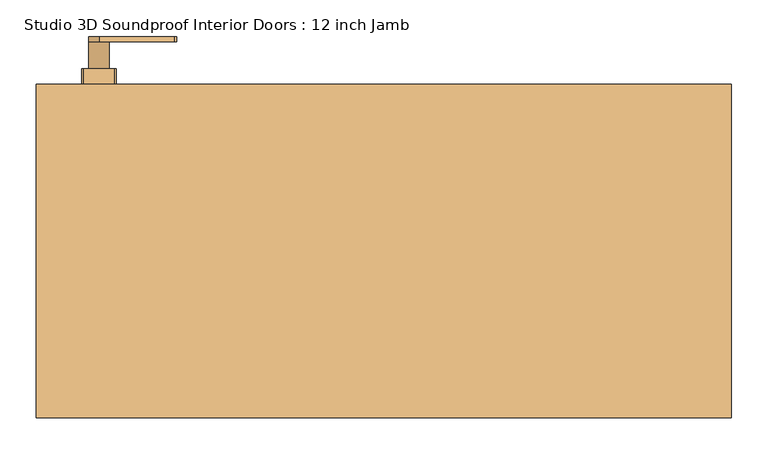
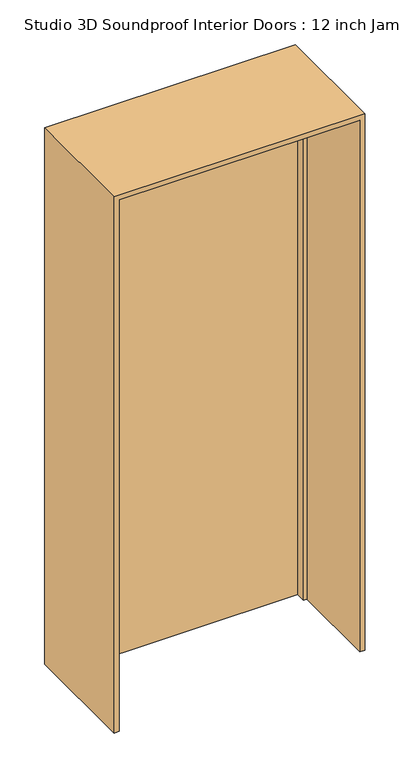
"""IFC4 building model written with IfcOpenShell, lengths in millimetres: door geometry, Studio 3D Soundproof Interior Doors : 12 inch Jamb."""

from ifc_helpers import new_model, si_unit, point, frame, frame_2d, origin, origin_with_axes, place, context, project, spatial, polyline, circle_curve, trimmed, segment, composite_curve, outline, extrude, faceted_brep, source, transform, mapped, element, save


def studio_3d_soundproof_interior_doors_12_inch_jamb_8ae3d48c(model_context):
    return source(origin(), model_context, "Body", "SolidModel", [
        extrude(outline(composite_curve([segment(polyline([(980.8500629, -286.9976429), (985.5940156, -390.5562374)]), True, "CONTINUOUS"), segment(trimmed(circle_curve(frame_2d((971.3540529, -390.5282704)), 14.2399902), [point((985.5940156, -390.5562374))], [point((957.1140902, -390.5562374))], False, "CARTESIAN"), True, "CONTINUOUS"), segment(polyline([(957.1140902, -390.5562374), (961.858043, -286.9976429)]), True, "CONTINUOUS"), segment(trimmed(circle_curve(frame_2d((971.3540529, -301.4004793)), 17.2515478), [point((961.858043, -286.9976429))], [point((980.8500629, -286.9976429))], False, "CARTESIAN"), True, "CONTINUOUS")], self_intersect=False)), frame((0.0, 287.1687888, 0.0), z_axis=(0.0, 1.0, 0.0), x_axis=(0.0, 0.0, 1.0)), (0.0, 0.0, 1.0), 6.9288506),
        extrude(outline(composite_curve([segment(trimmed(circle_curve(frame_2d((971.3540529, -390.5282704)), 14.2399902), [point((971.3540529, -376.2882802))], [point((971.3540529, -404.7682606))], False, "CARTESIAN"), True, "CONTINUOUS"), segment(trimmed(circle_curve(frame_2d((971.3540529, -390.5282704)), 14.2399902), [point((971.3540529, -404.7682606))], [point((971.3540529, -376.2882802))], False, "CARTESIAN"), True, "CONTINUOUS")], self_intersect=False)), frame((0.0, 249.8582345, 0.0), z_axis=(0.0, 1.0, 0.0), x_axis=(0.0, 0.0, 1.0)), (0.0, 0.0, 1.0), 37.3105543),
        extrude(outline(composite_curve([segment(trimmed(circle_curve(frame_2d((1094.8021823, -411.2261984)), 3.1653366), [point((1097.9675189, -411.2261984))], [point((1094.8021823, -414.391535))], False, "CARTESIAN"), True, "CONTINUOUS"), segment(polyline([(1094.8021823, -414.391535), (898.1753792, -414.391535)]), True, "CONTINUOUS"), segment(trimmed(circle_curve(frame_2d((898.1753792, -411.2261984)), 3.1653366), [point((898.1753792, -414.391535))], [point((895.0100425, -411.2261984))], False, "CARTESIAN"), True, "CONTINUOUS"), segment(polyline([(895.0100425, -411.2261984), (895.0100425, -369.8238016)]), True, "CONTINUOUS"), segment(trimmed(circle_curve(frame_2d((898.1753792, -369.8238016)), 3.1653366), [point((895.0100425, -369.8238016))], [point((898.1753792, -366.658465))], False, "CARTESIAN"), True, "CONTINUOUS"), segment(polyline([(898.1753792, -366.658465), (1094.8021823, -366.658465)]), True, "CONTINUOUS"), segment(trimmed(circle_curve(frame_2d((1094.8021823, -369.8238016)), 3.1653366), [point((1094.8021823, -366.658465))], [point((1097.9675189, -369.8238016))], False, "CARTESIAN"), True, "CONTINUOUS"), segment(polyline([(1097.9675189, -369.8238016), (1097.9675189, -411.2261984)]), True, "CONTINUOUS")], self_intersect=False)), frame((0.0, 228.6, 0.0), z_axis=(0.0, 1.0, 0.0), x_axis=(0.0, 0.0, 1.0)), (0.0, 0.0, 1.0), 21.2582345),
        extrude(outline(composite_curve([segment(polyline([(980.8500629, -286.9976429), (985.5940156, -390.5562374)]), True, "CONTINUOUS"), segment(trimmed(circle_curve(frame_2d((971.3540529, -390.5282704)), 14.2399902), [point((985.5940156, -390.5562374))], [point((957.1140902, -390.5562374))], False, "CARTESIAN"), True, "CONTINUOUS"), segment(polyline([(957.1140902, -390.5562374), (961.858043, -286.9976429)]), True, "CONTINUOUS"), segment(trimmed(circle_curve(frame_2d((971.3540529, -301.4004793)), 17.2515478), [point((961.858043, -286.9976429))], [point((980.8500629, -286.9976429))], False, "CARTESIAN"), True, "CONTINUOUS")], self_intersect=False)), frame((0.0, 86.2433876, 0.0), z_axis=(0.0, 1.0, 0.0), x_axis=(0.0, 0.0, 1.0)), (0.0, 0.0, 1.0), 6.9288506),
        extrude(outline(composite_curve([segment(trimmed(circle_curve(frame_2d((971.3540529, -390.5282704)), 14.2399902), [point((971.3540529, -376.2882802))], [point((971.3540529, -404.7682606))], False, "CARTESIAN"), True, "CONTINUOUS"), segment(trimmed(circle_curve(frame_2d((971.3540529, -390.5282704)), 14.2399902), [point((971.3540529, -404.7682606))], [point((971.3540529, -376.2882802))], False, "CARTESIAN"), True, "CONTINUOUS")], self_intersect=False)), frame((0.0, 93.1722383, 0.0), z_axis=(0.0, 1.0, 0.0), x_axis=(0.0, 0.0, 1.0)), (0.0, 0.0, 1.0), 37.3105543),
        extrude(outline(composite_curve([segment(trimmed(circle_curve(frame_2d((1094.8021823, -411.2261984)), 3.1653366), [point((1097.9675189, -411.2261984))], [point((1094.8021823, -414.391535))], False, "CARTESIAN"), True, "CONTINUOUS"), segment(polyline([(1094.8021823, -414.391535), (898.1753792, -414.391535)]), True, "CONTINUOUS"), segment(trimmed(circle_curve(frame_2d((898.1753792, -411.2261984)), 3.1653366), [point((898.1753792, -414.391535))], [point((895.0100425, -411.2261984))], False, "CARTESIAN"), True, "CONTINUOUS"), segment(polyline([(895.0100425, -411.2261984), (895.0100425, -369.8238016)]), True, "CONTINUOUS"), segment(trimmed(circle_curve(frame_2d((898.1753792, -369.8238016)), 3.1653366), [point((895.0100425, -369.8238016))], [point((898.1753792, -366.658465))], False, "CARTESIAN"), True, "CONTINUOUS"), segment(polyline([(898.1753792, -366.658465), (1094.8021823, -366.658465)]), True, "CONTINUOUS"), segment(trimmed(circle_curve(frame_2d((1094.8021823, -369.8238016)), 3.1653366), [point((1094.8021823, -366.658465))], [point((1097.9675189, -369.8238016))], False, "CARTESIAN"), True, "CONTINUOUS"), segment(polyline([(1097.9675189, -369.8238016), (1097.9675189, -411.2261984)]), True, "CONTINUOUS")], self_intersect=False)), frame((0.0, 130.4827925, 0.0), z_axis=(0.0, 1.0, 0.0), x_axis=(0.0, 0.0, 1.0)), (0.0, 0.0, 1.0), 21.2582345),
        extrude(outline(polyline([(457.2000762, 157.1623381), (-457.2000762, 157.1623381), (-457.2000762, 228.6), (457.2000762, 228.6), (457.2000762, 157.1623381)])), origin_with_axes(), (0.0, 0.0, 1.0), 2133.8977325),
        faceted_brep([(-476.25, -228.6, 0.0), (-476.25, 228.6, 0.0), (-457.2000762, 228.6, 0.0), (-457.2000762, 157.1623381, 0.0), (-444.4999238, 157.1623381, 0.0), (-444.4999238, 119.0622492, 0.0), (-457.2000176, 119.0622492, 0.0), (-457.2000176, -228.6, 0.0), (-476.25, -228.6, 2152.9476562), (-476.25, 228.6, 2152.9476562), (476.25, 228.6, 2152.9476562), (476.25, 228.6, 0.0), (457.2000762, 228.6, 0.0), (457.2000762, 228.6, 2133.8977325), (-457.2000762, 228.6, 2133.8977325), (-457.2000762, 157.1623381, 2133.8977325), (457.2000762, 157.1623381, 2133.8977325), (457.2000762, 157.1623381, 0.0), (444.4999238, 157.1623381, 0.0), (444.4999238, 157.1623381, 2121.1975801), (-444.4999238, 157.1623381, 2121.1975801), (-444.4999238, 119.0622492, 2121.1975801), (444.4999238, 119.0622492, 2121.1975801), (444.4999238, 119.0622492, 0.0), (457.2000176, 119.0622492, 0.0), (457.2000176, 119.0622492, 2133.8976738), (-457.2000176, 119.0622492, 2133.8976738), (-457.2000176, -228.6, 2133.8976738), (457.2000176, -228.6, 2133.8976738), (457.2000176, -228.6, 0.0), (476.25, -228.6, 0.0), (476.25, -228.6, 2152.9476562)], [[[0, 1, 2, 3, 4, 5, 6, 7]], [[1, 0, 8, 9]], [[2, 1, 9, 10, 11, 12, 13, 14]], [[3, 2, 14, 15]], [[4, 3, 15, 16, 17, 18, 19, 20]], [[5, 4, 20, 21]], [[6, 5, 21, 22, 23, 24, 25, 26]], [[7, 6, 26, 27]], [[0, 7, 27, 28, 29, 30, 31, 8]], [[10, 31, 30, 11]], [[30, 29, 24, 23, 18, 17, 12, 11]], [[16, 13, 12, 17]], [[22, 19, 18, 23]], [[28, 25, 24, 29]], [[9, 8, 31, 10]], [[15, 14, 13, 16]], [[21, 20, 19, 22]], [[27, 26, 25, 28]]]),
    ])


if __name__ == "__main__":
    model = new_model("IFC4")
    model_context = context("Model", 3, world=origin())
    ifc_project = project(units=[si_unit("LENGTHUNIT", "METRE", prefix="MILLI")], contexts=[model_context])
    site = spatial("IfcSite", under=ifc_project)
    building = spatial("IfcBuilding", under=site)
    placement = place(None, origin())
    studio_3d_soundproof_interior_doors_12_inch_jamb_shape = studio_3d_soundproof_interior_doors_12_inch_jamb_8ae3d48c(model_context)
    element("IfcDoor", 1, ObjectType="Studio 3D Soundproof Interior Doors : 12 inch Jamb", at=placement, inside=building, context=model_context, shape_type="MappedRepresentation", body=[
        mapped(studio_3d_soundproof_interior_doors_12_inch_jamb_shape, transform((0.0, 0.0, 0.0), x_axis=(1.0, 0.0, 0.0), y_axis=(0.0, 1.0, 0.0), z_axis=(0.0, 0.0, 1.0))),
    ])
    save(model, "model.ifc")
